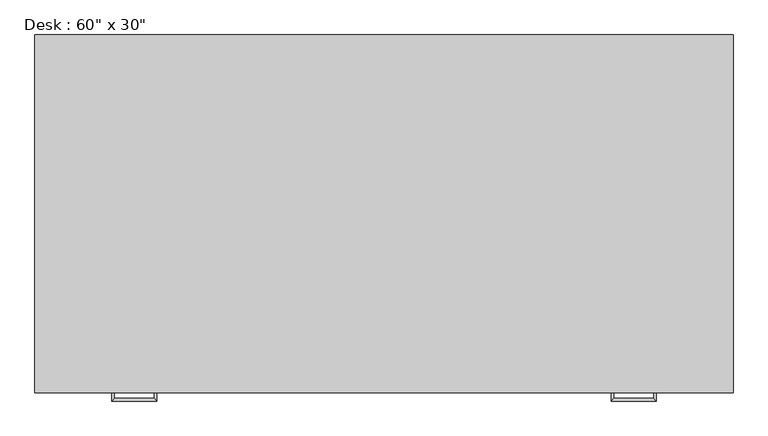
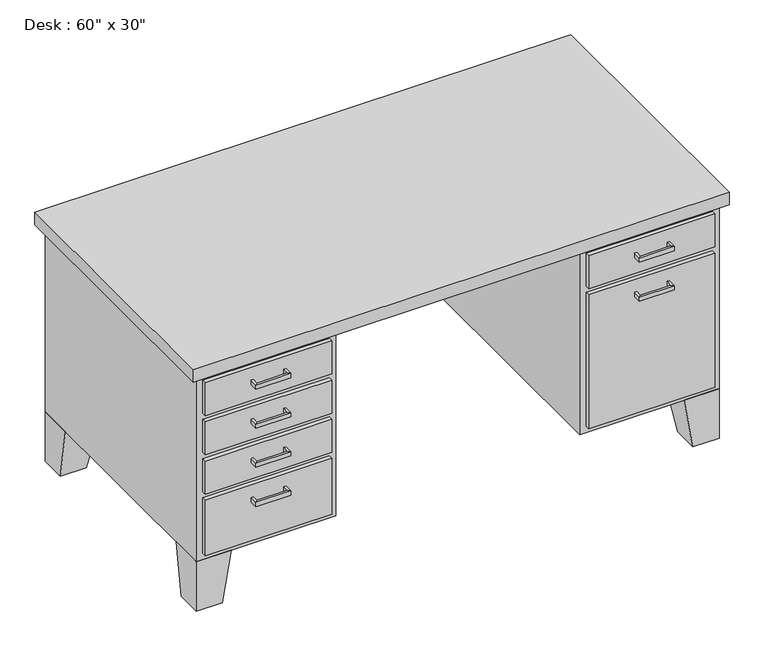
"""IFC4 building model written with IfcOpenShell, lengths in millimetres: furniture geometry."""

from ifc_helpers import new_model, si_unit, frame, origin, place, context, project, spatial, polyline, outline, extrude, faceted_brep, source, transform, mapped, element, save


def furniture_da8d8c81(model_context):
    return source(origin(), model_context, "Body", "SolidModel", [
        extrude(outline(polyline([(1504.95, -762.0), (1504.95, -774.7), (1136.65, -774.7), (1136.65, -762.0), (1504.95, -762.0)])), frame((0.0, 0.0, 603.25), z_axis=(0.0, 0.0, 1.0), x_axis=(1.0, 0.0, 0.0)), (0.0, 0.0, 1.0), 101.6),
        extrude(outline(polyline([(1504.95, -762.0), (1504.95, -774.7), (1136.65, -774.7), (1136.65, -762.0), (1504.95, -762.0)])), frame((0.0, 0.0, 171.45), z_axis=(0.0, 0.0, 1.0), x_axis=(1.0, 0.0, 0.0)), (0.0, 0.0, 1.0), 412.75),
        extrude(outline(polyline([(387.35, -762.0), (387.35, -774.7), (19.05, -774.7), (19.05, -762.0), (387.35, -762.0)])), frame((0.0, 0.0, 603.25), z_axis=(0.0, 0.0, 1.0), x_axis=(1.0, 0.0, 0.0)), (0.0, 0.0, 1.0), 101.6),
        extrude(outline(polyline([(387.35, -762.0), (387.35, -774.7), (19.05, -774.7), (19.05, -762.0), (387.35, -762.0)])), frame((0.0, 0.0, 171.45), z_axis=(0.0, 0.0, 1.0), x_axis=(1.0, 0.0, 0.0)), (0.0, 0.0, 1.0), 171.45),
        extrude(outline(polyline([(387.35, -762.0), (387.35, -774.7), (19.05, -774.7), (19.05, -762.0), (387.35, -762.0)])), frame((0.0, 0.0, 482.6), z_axis=(0.0, 0.0, 1.0), x_axis=(1.0, 0.0, 0.0)), (0.0, 0.0, 1.0), 101.6),
        extrude(outline(polyline([(387.35, -762.0), (387.35, -774.7), (19.05, -774.7), (19.05, -762.0), (387.35, -762.0)])), frame((0.0, 0.0, 361.95), z_axis=(0.0, 0.0, 1.0), x_axis=(1.0, 0.0, 0.0)), (0.0, 0.0, 1.0), 101.6),
        faceted_brep([(1422.4, -762.0, 152.4), (1524.0, -762.0, 152.4), (1524.0, -660.4, 152.4), (1422.4, -660.4, 152.4), (1447.8, -762.0, 0.0), (1447.8, -685.8, 0.0), (1524.0, -685.8, 0.0), (1524.0, -762.0, 0.0)], [[[0, 1, 2, 3]], [[4, 5, 6, 7]], [[4, 0, 3, 5]], [[5, 3, 2, 6]], [[6, 2, 1, 7]], [[7, 1, 0, 4]]]),
        faceted_brep([(1422.4, 0.0, 152.4), (1422.4, -101.6, 152.4), (1524.0, -101.6, 152.4), (1524.0, 0.0, 152.4), (1447.8, 0.0, 0.0), (1524.0, 0.0, 0.0), (1524.0, -76.2, 0.0), (1447.8, -76.2, 0.0)], [[[0, 1, 2, 3]], [[4, 5, 6, 7]], [[4, 0, 3, 5]], [[5, 3, 2, 6]], [[6, 2, 1, 7]], [[7, 1, 0, 4]]]),
        faceted_brep([(101.6, 0.0, 152.4), (0.0, 0.0, 152.4), (0.0, -101.6, 152.4), (101.6, -101.6, 152.4), (76.2, 0.0, 0.0), (76.2, -76.2, 0.0), (0.0, -76.2, 0.0), (0.0, 0.0, 0.0)], [[[0, 1, 2, 3]], [[4, 5, 6, 7]], [[4, 0, 3, 5]], [[5, 3, 2, 6]], [[6, 2, 1, 7]], [[7, 1, 0, 4]]]),
        faceted_brep([(101.6, -762.0, 152.4), (101.6, -660.4, 152.4), (0.0, -660.4, 152.4), (0.0, -762.0, 152.4), (76.2, -762.0, 0.0), (0.0, -762.0, 0.0), (0.0, -685.8, 0.0), (76.2, -685.8, 0.0)], [[[0, 1, 2, 3]], [[4, 5, 6, 7]], [[4, 0, 3, 5]], [[5, 3, 2, 6]], [[6, 2, 1, 7]], [[7, 1, 0, 4]]]),
        extrude(outline(polyline([(1543.05, -781.05), (-19.05, -781.05), (-19.05, 19.05), (1543.05, 19.05), (1543.05, -781.05)])), frame((0.0, 0.0, 723.9), z_axis=(0.0, 0.0, 1.0), x_axis=(1.0, 0.0, 0.0)), (0.0, 0.0, 1.0), 38.1),
        extrude(outline(polyline([(406.4, -762.0), (0.0, -762.0), (0.0, 0.0), (1524.0, 0.0), (1524.0, -762.0), (1117.6, -762.0), (1117.6, -50.8), (406.4, -50.8), (406.4, -762.0)])), frame((0.0, 0.0, 152.4), z_axis=(0.0, 0.0, 1.0), x_axis=(1.0, 0.0, 0.0)), (0.0, 0.0, 1.0), 571.5),
        faceted_brep([(1365.25, -774.7, 546.1), (1371.6, -774.7, 546.1), (1371.6, -774.7, 533.4), (1365.25, -774.7, 533.4), (1365.25, -793.75, 533.4), (1365.25, -793.75, 546.1), (1371.6, -800.1, 533.4), (1371.6, -800.1, 546.1), (1276.35, -793.75, 533.4), (1276.35, -793.75, 546.1), (1270.0, -800.1, 533.4), (1270.0, -800.1, 546.1), (1276.35, -774.7, 546.1), (1276.35, -774.7, 533.4), (1270.0, -774.7, 533.4), (1270.0, -774.7, 546.1)], [[[0, 1, 2, 3]], [[3, 4, 5, 0]], [[2, 6, 4, 3]], [[1, 7, 6, 2]], [[0, 5, 7, 1]], [[4, 8, 9, 5]], [[6, 10, 8, 4]], [[7, 11, 10, 6]], [[5, 9, 11, 7]], [[12, 13, 14, 15]], [[8, 13, 12, 9]], [[10, 14, 13, 8]], [[11, 15, 14, 10]], [[9, 12, 15, 11]]]),
        faceted_brep([(1365.25, -774.7, 666.75), (1371.6, -774.7, 666.75), (1371.6, -774.7, 654.05), (1365.25, -774.7, 654.05), (1365.25, -793.75, 654.05), (1365.25, -793.75, 666.75), (1371.6, -800.1, 654.05), (1371.6, -800.1, 666.75), (1276.35, -793.75, 654.05), (1276.35, -793.75, 666.75), (1270.0, -800.1, 654.05), (1270.0, -800.1, 666.75), (1276.35, -774.7, 666.75), (1276.35, -774.7, 654.05), (1270.0, -774.7, 654.05), (1270.0, -774.7, 666.75)], [[[0, 1, 2, 3]], [[3, 4, 5, 0]], [[2, 6, 4, 3]], [[1, 7, 6, 2]], [[0, 5, 7, 1]], [[4, 8, 9, 5]], [[6, 10, 8, 4]], [[7, 11, 10, 6]], [[5, 9, 11, 7]], [[12, 13, 14, 15]], [[8, 13, 12, 9]], [[10, 14, 13, 8]], [[11, 15, 14, 10]], [[9, 12, 15, 11]]]),
        faceted_brep([(158.75, -774.7, 304.8), (158.75, -774.7, 292.1), (152.4, -774.7, 292.1), (152.4, -774.7, 304.8), (152.4, -800.1, 304.8), (158.75, -793.75, 304.8), (152.4, -800.1, 292.1), (158.75, -793.75, 292.1), (254.0, -800.1, 304.8), (247.65, -793.75, 304.8), (254.0, -800.1, 292.1), (247.65, -793.75, 292.1), (247.65, -774.7, 304.8), (254.0, -774.7, 304.8), (254.0, -774.7, 292.1), (247.65, -774.7, 292.1)], [[[0, 1, 2, 3]], [[3, 4, 5, 0]], [[2, 6, 4, 3]], [[1, 7, 6, 2]], [[0, 5, 7, 1]], [[4, 8, 9, 5]], [[6, 10, 8, 4]], [[7, 11, 10, 6]], [[5, 9, 11, 7]], [[12, 13, 14, 15]], [[8, 13, 12, 9]], [[10, 14, 13, 8]], [[11, 15, 14, 10]], [[9, 12, 15, 11]]]),
        faceted_brep([(158.75, -774.7, 425.45), (158.75, -774.7, 412.75), (152.4, -774.7, 412.75), (152.4, -774.7, 425.45), (152.4, -800.1, 425.45), (158.75, -793.75, 425.45), (152.4, -800.1, 412.75), (158.75, -793.75, 412.75), (254.0, -800.1, 425.45), (247.65, -793.75, 425.45), (254.0, -800.1, 412.75), (247.65, -793.75, 412.75), (247.65, -774.7, 425.45), (254.0, -774.7, 425.45), (254.0, -774.7, 412.75), (247.65, -774.7, 412.75)], [[[0, 1, 2, 3]], [[3, 4, 5, 0]], [[2, 6, 4, 3]], [[1, 7, 6, 2]], [[0, 5, 7, 1]], [[4, 8, 9, 5]], [[6, 10, 8, 4]], [[7, 11, 10, 6]], [[5, 9, 11, 7]], [[12, 13, 14, 15]], [[8, 13, 12, 9]], [[10, 14, 13, 8]], [[11, 15, 14, 10]], [[9, 12, 15, 11]]]),
        faceted_brep([(158.75, -774.7, 546.1), (158.75, -774.7, 533.4), (152.4, -774.7, 533.4), (152.4, -774.7, 546.1), (152.4, -800.1, 546.1), (158.75, -793.75, 546.1), (152.4, -800.1, 533.4), (158.75, -793.75, 533.4), (254.0, -800.1, 546.1), (247.65, -793.75, 546.1), (254.0, -800.1, 533.4), (247.65, -793.75, 533.4), (247.65, -774.7, 546.1), (254.0, -774.7, 546.1), (254.0, -774.7, 533.4), (247.65, -774.7, 533.4)], [[[0, 1, 2, 3]], [[3, 4, 5, 0]], [[2, 6, 4, 3]], [[1, 7, 6, 2]], [[0, 5, 7, 1]], [[4, 8, 9, 5]], [[6, 10, 8, 4]], [[7, 11, 10, 6]], [[5, 9, 11, 7]], [[12, 13, 14, 15]], [[8, 13, 12, 9]], [[10, 14, 13, 8]], [[11, 15, 14, 10]], [[9, 12, 15, 11]]]),
        faceted_brep([(158.75, -774.7, 666.75), (158.75, -774.7, 654.05), (152.4, -774.7, 654.05), (152.4, -774.7, 666.75), (152.4, -800.1, 666.75), (158.75, -793.75, 666.75), (152.4, -800.1, 654.05), (158.75, -793.75, 654.05), (254.0, -800.1, 666.75), (247.65, -793.75, 666.75), (254.0, -800.1, 654.05), (247.65, -793.75, 654.05), (247.65, -774.7, 666.75), (254.0, -774.7, 666.75), (254.0, -774.7, 654.05), (247.65, -774.7, 654.05)], [[[0, 1, 2, 3]], [[3, 4, 5, 0]], [[2, 6, 4, 3]], [[1, 7, 6, 2]], [[0, 5, 7, 1]], [[4, 8, 9, 5]], [[6, 10, 8, 4]], [[7, 11, 10, 6]], [[5, 9, 11, 7]], [[12, 13, 14, 15]], [[8, 13, 12, 9]], [[10, 14, 13, 8]], [[11, 15, 14, 10]], [[9, 12, 15, 11]]]),
    ])


if __name__ == "__main__":
    model = new_model("IFC4")
    model_context = context("Model", 3, world=origin())
    ifc_project = project(units=[si_unit("LENGTHUNIT", "METRE", prefix="MILLI")], contexts=[model_context])
    site = spatial("IfcSite", under=ifc_project)
    building = spatial("IfcBuilding", under=site)
    placement = place(None, origin())
    furniture_shape = furniture_da8d8c81(model_context)
    element("IfcFurniture", 1, ObjectType="Desk : 60\" x 30\"", at=placement, inside=building, context=model_context, shape_type="MappedRepresentation", body=[
        mapped(furniture_shape, transform((0.0, 0.0, 0.0), x_axis=(1.0, 0.0, 0.0), y_axis=(0.0, 1.0, 0.0), z_axis=(0.0, 0.0, 1.0))),
    ])
    save(model, "model.ifc")
